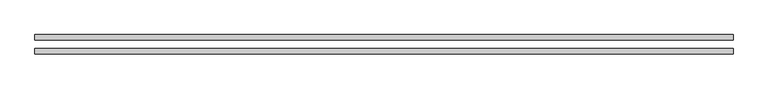
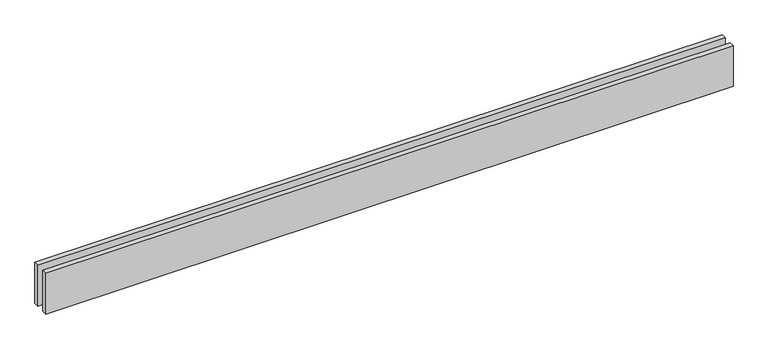
"""IFC4 building model written with IfcOpenShell, lengths in millimetres: proxy geometry."""

import ifcopenshell
import ifcopenshell.guid

model = None  # the IFC model being written
_history = None  # IfcOwnerHistory: only IFC2X3 demands one
_inside = {}  # id of a spatial element -> (the spatial element, [elements in it])
_under = {}  # id of a project, library or spatial element -> (it, [spatial elements below it])
_declared = {}  # id of a project -> (the project, [libraries it declares])
_typed = {}  # id of a type object -> (the type object, [elements of that type])
_made_of = {}  # id of a material, layer set ... -> (it, [elements and type objects made of it])


def new_model(schema):
    """Start an empty IFC model of exactly this schema.

    Asked for "IFC4X3", IfcOpenShell would pick the latest addendum, in which some entities
    have other attributes; the version numbers below select the first issue.
    IFC2X3 requires an IfcOwnerHistory on every rooted entity: one is made here for all.
    """
    global model, _history
    if schema == "IFC4X3":
        model = ifcopenshell.file(schema_version=(4, 3, 0, 0))
    else:
        model = ifcopenshell.file(schema=schema)
    _inside.clear()
    _under.clear()
    _declared.clear()
    _typed.clear()
    _made_of.clear()
    _history = None
    if model.schema == "IFC2X3":
        org = make("IfcOrganization", Name="unknown")
        user = make(
            "IfcPersonAndOrganization",
            ThePerson=make("IfcPerson", FamilyName="unknown"),
            TheOrganization=org,
        )
        app = make(
            "IfcApplication",
            ApplicationDeveloper=org,
            Version="unknown",
            ApplicationFullName="unknown",
            ApplicationIdentifier="unknown",
        )
        _history = make(
            "IfcOwnerHistory",
            OwningUser=user,
            OwningApplication=app,
            ChangeAction="ADDED",
            CreationDate=0,
        )
    return model


def make(cls, **values):
    """One entity of the class cls with the attributes given. An attribute that is None is left unset."""
    return model.create_entity(
        cls, **{name: value for name, value in values.items() if value is not None}
    )


def rooted(cls, **values):
    """An entity with a GlobalId (a new one), such as an element, a storey or a relation."""
    return make(cls, GlobalId=ifcopenshell.guid.new(), OwnerHistory=_history, **values)


def si_unit(unit_type, name, prefix=None):
    """IfcSIUnit, for example si_unit("LENGTHUNIT", "METRE", prefix="MILLI")."""
    return make("IfcSIUnit", UnitType=unit_type, Prefix=prefix, Name=name)


def assignment(units):
    """IfcUnitAssignment: the units of a project."""
    return None if units is None else make("IfcUnitAssignment", Units=units)


def point(xyz):
    """IfcCartesianPoint."""
    return None if xyz is None else make("IfcCartesianPoint", Coordinates=xyz)


def direction(xyz):
    """IfcDirection."""
    return None if xyz is None else make("IfcDirection", DirectionRatios=xyz)


def frame(location, z_axis=None, x_axis=None):
    """IfcAxis2Placement3D, a coordinate frame: its origin and axes. An axis left out is left unset."""
    return make(
        "IfcAxis2Placement3D",
        Location=point(location),
        Axis=direction(z_axis),
        RefDirection=direction(x_axis),
    )


def origin():
    """The frame at (0, 0, 0) with its axes left unset."""
    return frame((0.0, 0.0, 0.0))


def origin_with_axes():
    """The frame at (0, 0, 0) with the z axis (0, 0, 1) and the x axis (1, 0, 0) written out."""
    return frame((0.0, 0.0, 0.0), z_axis=(0.0, 0.0, 1.0), x_axis=(1.0, 0.0, 0.0))


def place(relative_to, where):
    """IfcLocalPlacement: puts the frame where relative to a parent placement (None: the world)."""
    return make(
        "IfcLocalPlacement", PlacementRelTo=relative_to, RelativePlacement=where
    )


def context(
    kind, dimensions, precision=None, world=None, true_north=None, identifier=None
):
    """IfcGeometricRepresentationContext, for example the 3D "Model" context."""
    return make(
        "IfcGeometricRepresentationContext",
        ContextIdentifier=identifier,
        ContextType=kind,
        CoordinateSpaceDimension=dimensions,
        Precision=precision,
        WorldCoordinateSystem=world,
        TrueNorth=true_north,
    )


def project(units=None, contexts=None):
    """IfcProject with its units and contexts."""
    return rooted(
        "IfcProject",
        Name="project",
        RepresentationContexts=contexts,
        UnitsInContext=assignment(units),
    )


def spatial(cls, under=None, at=None, **own):
    """A site, building, storey or space (cls), placed at a placement, below another one or the project."""
    s = rooted(cls, ObjectPlacement=at, **own)
    if under is not None:
        _under.setdefault(under.id(), (under, []))[1].append(s)
    return s


def polyline(points):
    """IfcPolyline through the points."""
    return make("IfcPolyline", Points=[point(p) for p in points])


def outline(outer, holes=None, kind="AREA"):
    """IfcArbitraryClosedProfileDef: a profile drawn as a closed curve; with holes, ...WithVoids."""
    if holes is None:
        return make("IfcArbitraryClosedProfileDef", ProfileType=kind, OuterCurve=outer)
    return make(
        "IfcArbitraryProfileDefWithVoids",
        ProfileType=kind,
        OuterCurve=outer,
        InnerCurves=holes,
    )


def extrude(swept, where, along, depth):
    """IfcExtrudedAreaSolid: the profile swept, set in the frame where, extruded along a direction by depth."""
    return make(
        "IfcExtrudedAreaSolid",
        SweptArea=swept,
        Position=where,
        ExtrudedDirection=direction(along),
        Depth=depth,
    )


def shape(context_of_items, identifier, shape_type, items):
    """IfcShapeRepresentation: the items that make up one representation, for example the "Body"."""
    return make(
        "IfcShapeRepresentation",
        ContextOfItems=context_of_items,
        RepresentationIdentifier=identifier,
        RepresentationType=shape_type,
        Items=items,
    )


def source(mapping_origin, context_of_items, identifier, shape_type, items):
    """IfcRepresentationMap: a shape defined once, which mapped items show again and again."""
    return make(
        "IfcRepresentationMap",
        MappingOrigin=mapping_origin,
        MappedRepresentation=shape(context_of_items, identifier, shape_type, items),
    )


def transform(
    local_origin,
    x_axis=None,
    y_axis=None,
    z_axis=None,
    scale=None,
    scale2=None,
    scale3=None,
    uniform=True,
):
    """IfcCartesianTransformationOperator3D, or its non-uniform kind. x_axis, y_axis, z_axis: its Axis1, 2, 3."""
    if uniform:
        return make(
            "IfcCartesianTransformationOperator3D",
            Axis1=direction(x_axis),
            Axis2=direction(y_axis),
            LocalOrigin=point(local_origin),
            Scale=scale,
            Axis3=direction(z_axis),
        )
    return make(
        "IfcCartesianTransformationOperator3DnonUniform",
        Axis1=direction(x_axis),
        Axis2=direction(y_axis),
        LocalOrigin=point(local_origin),
        Scale=scale,
        Axis3=direction(z_axis),
        Scale2=scale2,
        Scale3=scale3,
    )


def mapped(mapping_source, mapping_target):
    """IfcMappedItem: shows the shape of a source again, moved by a transform."""
    return make(
        "IfcMappedItem", MappingSource=mapping_source, MappingTarget=mapping_target
    )


def made_of(thing, what):
    """Note that an element or type object is made of a material, layer set ...; save() writes the relation."""
    if what is not None:
        _made_of.setdefault(what.id(), (what, []))[1].append(thing)
    return thing


def element(
    cls,
    number,
    at=None,
    inside=None,
    cuts=None,
    type_object=None,
    material=None,
    context=None,
    identifier="Body",
    shape_type=None,
    held_by="IfcProductDefinitionShape",
    body=None,
    shapes=None,
    **own,
):
    """One element of the class cls, such as IfcWall. Its Tag is "e" and its number.

    at: its placement. inside: the storey or other place that contains it. cuts: it is an
    opening in that element (IfcRelVoidsElement). A single representation is given by context,
    identifier, shape_type and body (its items); several are given by shapes. held_by: the class
    of the entity that holds the representations. save() writes the other relations.
    """
    e = rooted(cls, Tag="e%d" % number, ObjectPlacement=at, **own)
    if body is not None:
        shapes = [shape(context, identifier, shape_type, body)]
    if shapes is not None:
        e.Representation = make(held_by, Representations=shapes)
    if inside is not None:
        _inside.setdefault(inside.id(), (inside, []))[1].append(e)
    if cuts is not None:
        rooted(
            "IfcRelVoidsElement", RelatingBuildingElement=cuts, RelatedOpeningElement=e
        )
    if type_object is not None:
        _typed.setdefault(type_object.id(), (type_object, []))[1].append(e)
    return made_of(e, material)


def aggregate(whole, parts):
    """IfcRelAggregates: a whole, such as a stair, and the parts it consists of."""
    return rooted("IfcRelAggregates", RelatingObject=whole, RelatedObjects=parts)


def save(model, path):
    """Write the relations noted so far, then the file.

    IfcRelAggregates (storeys below a building ...), IfcRelContainedInSpatialStructure (elements
    in a storey), IfcRelDefinesByType, IfcRelAssociatesMaterial and IfcRelDeclares: one each for
    every whole, place, type object, material and project.
    """
    for whole, parts in _under.values():
        aggregate(whole, parts)
    for where, things in _inside.values():
        rooted(
            "IfcRelContainedInSpatialStructure",
            RelatedElements=things,
            RelatingStructure=where,
        )
    for kind, things in _typed.values():
        rooted("IfcRelDefinesByType", RelatedObjects=things, RelatingType=kind)
    for what, things in _made_of.values():
        rooted("IfcRelAssociatesMaterial", RelatedObjects=things, RelatingMaterial=what)
    for by, libraries in _declared.values():
        rooted("IfcRelDeclares", RelatingContext=by, RelatedDefinitions=libraries)
    model.write(path)


def generic_models_f469054c(model_context):
    return source(origin(), model_context, "Body", "SweptSolid", [
        extrude(outline(polyline([(3996.0981372, 25.0), (0.0, 25.0), (0.0, 55.0), (3996.0981372, 55.0), (3996.0981372, 25.0)])), origin_with_axes(), (0.0, 0.0, 1.0), 250.0),
        extrude(outline(polyline([(3996.0981372, -55.0), (0.0, -55.0), (0.0, -25.0), (3996.0981372, -25.0), (3996.0981372, -55.0)])), origin_with_axes(), (0.0, 0.0, 1.0), 250.0),
    ])


if __name__ == "__main__":
    model = new_model("IFC4")
    model_context = context("Model", 3, world=origin())
    ifc_project = project(units=[si_unit("LENGTHUNIT", "METRE", prefix="MILLI")], contexts=[model_context])
    site = spatial("IfcSite", under=ifc_project)
    building = spatial("IfcBuilding", under=site)
    placement = place(None, origin())
    generic_models_shape = generic_models_f469054c(model_context)
    element("IfcBuildingElementProxy", 1, Name="Generic Models", at=placement, inside=building, context=model_context, shape_type="MappedRepresentation", body=[
        mapped(generic_models_shape, transform((0.0, 0.0, 0.0), x_axis=(1.0, 0.0, 0.0), y_axis=(0.0, 1.0, 0.0), z_axis=(0.0, 0.0, 1.0))),
    ])
    save(model, "model.ifc")
